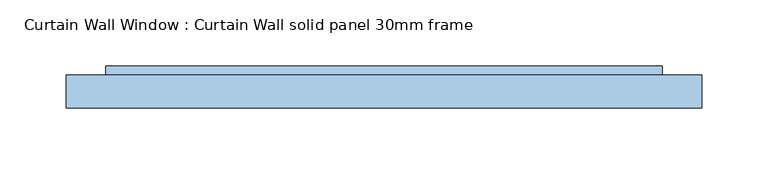
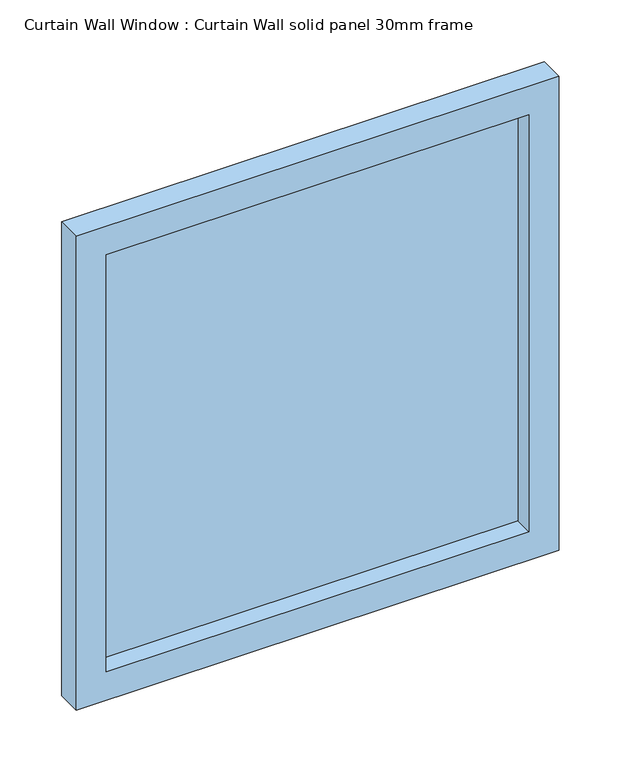
"""IFC4 building model written with IfcOpenShell, lengths in millimetres: window geometry, Curtain Wall Window : Curtain Wall solid panel 30mm frame."""

from ifc_helpers import new_model, si_unit, frame, origin, place, context, project, spatial, polyline, outline, extrude, source, transform, mapped, element, save


def curtain_wall_window_curtain_wall_solid_panel_30mm_frame_85cf849f(model_context):
    return source(origin(), model_context, "Body", "SweptSolid", [
        extrude(outline(polyline([(210.4999959, 19.05), (-210.4999959, 19.05), (-210.4999959, 31.75), (210.4999959, 31.75), (210.4999959, 19.05)])), frame((0.0, 0.0, 30.0), z_axis=(0.0, 0.0, 1.0), x_axis=(1.0, 0.0, 0.0)), (0.0, 0.0, 1.0), 438.9997052),
        extrude(outline(polyline([(498.9997052, -240.4999959), (0.0, -240.4999959), (0.0, 240.4999959), (498.9997052, 240.4999959), (498.9997052, -240.4999959)]), holes=[polyline([(468.9997052, -210.4999959), (468.9997052, 210.4999959), (30.0, 210.4999959), (30.0, -210.4999959), (468.9997052, -210.4999959)])]), frame((0.0, 0.0, 0.0), z_axis=(0.0, 1.0, 0.0), x_axis=(0.0, 0.0, 1.0)), (0.0, 0.0, 1.0), 25.0),
    ])


if __name__ == "__main__":
    model = new_model("IFC4")
    model_context = context("Model", 3, world=origin())
    ifc_project = project(units=[si_unit("LENGTHUNIT", "METRE", prefix="MILLI")], contexts=[model_context])
    site = spatial("IfcSite", under=ifc_project)
    building = spatial("IfcBuilding", under=site)
    placement = place(None, origin())
    curtain_wall_window_curtain_wall_solid_panel_30mm_frame_shape = curtain_wall_window_curtain_wall_solid_panel_30mm_frame_85cf849f(model_context)
    element("IfcWindow", 1, ObjectType="Curtain Wall Window : Curtain Wall solid panel 30mm frame", at=placement, inside=building, context=model_context, shape_type="MappedRepresentation", body=[
        mapped(curtain_wall_window_curtain_wall_solid_panel_30mm_frame_shape, transform((0.0, 0.0, 0.0), x_axis=(1.0, 0.0, 0.0), y_axis=(0.0, 1.0, 0.0), z_axis=(0.0, 0.0, 1.0))),
    ])
    save(model, "model.ifc")
